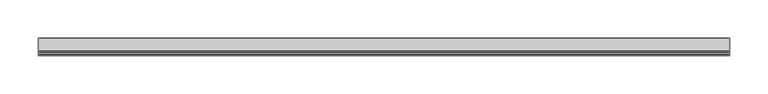
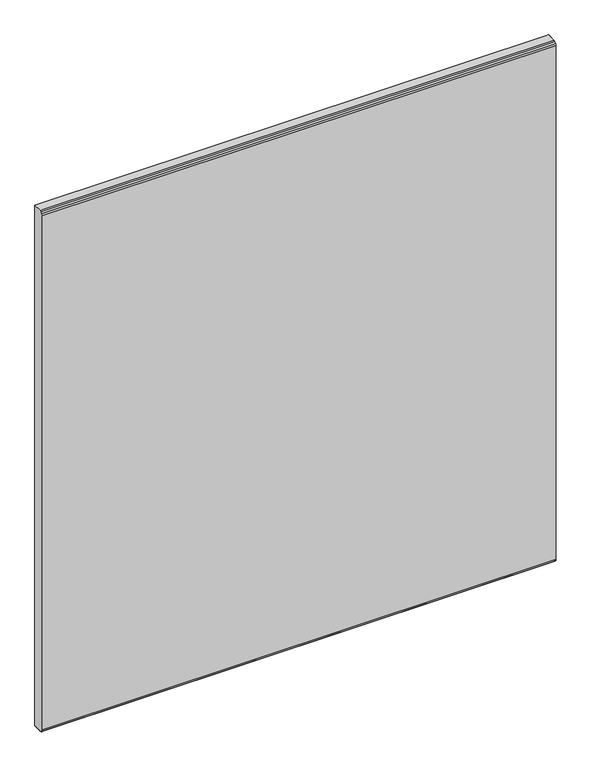
"""IFC4 building model written with IfcOpenShell, lengths in millimetres: furniture geometry."""

from ifc_helpers import new_model, si_unit, origin, place, context, project, spatial, triangles, source, transform, mapped, element, save


def furniture_732ca382(model_context):
    return source(origin(), model_context, "Body", "Tessellation", [
        triangles([(908.0500242, 6.3500002, 0.0), (6.3500002, 6.3500002, 0.0), (6.3500002, 22.2249992, 0.0), (908.0500242, 22.2249992, 0.0), (6.3500002, 6.3500002, 965.2000242), (908.0500242, 6.3500002, 965.2000242), (908.0500242, 22.2249992, 965.2000242), (6.3500002, 22.2249992, 965.2000242), (908.0500242, 0.0, 958.8499758), (6.3500002, 0.0, 958.8499758), (6.3500002, 0.0, 6.3500002), (908.0500242, 0.0, 6.3500002), (908.0500242, 0.8507387, 962.025), (6.3500002, 0.8507387, 962.025), (908.0500242, 3.1750001, 964.3492767), (6.3500002, 3.1750001, 964.3492767), (6.3500002, 0.8507387, 3.1750001), (908.0500242, 0.8507387, 3.1750001), (6.3500002, 3.1750001, 0.8507387), (908.0500242, 3.1750001, 0.8507387)], [[1, 2, 3], [1, 3, 4], [5, 6, 7], [5, 7, 8], [9, 10, 11], [9, 11, 12], [11, 10, 3], [11, 3, 2], [5, 8, 3], [5, 3, 10], [9, 12, 1], [9, 1, 4], [7, 6, 4], [6, 9, 4], [10, 9, 13], [10, 13, 14], [14, 13, 15], [14, 15, 16], [16, 15, 6], [16, 6, 5], [5, 10, 14], [5, 14, 16], [13, 9, 15], [9, 6, 15], [17, 18, 12], [17, 12, 11], [19, 20, 18], [19, 18, 17], [2, 1, 20], [2, 20, 19], [2, 19, 17], [2, 17, 11], [12, 18, 20], [12, 20, 1]], closed=False),
    ])


if __name__ == "__main__":
    model = new_model("IFC4")
    model_context = context("Model", 3, world=origin())
    ifc_project = project(units=[si_unit("LENGTHUNIT", "METRE", prefix="MILLI")], contexts=[model_context])
    site = spatial("IfcSite", under=ifc_project)
    building = spatial("IfcBuilding", under=site)
    placement = place(None, origin())
    furniture_shape = furniture_732ca382(model_context)
    element("IfcFurniture", 1, at=placement, inside=building, context=model_context, shape_type="MappedRepresentation", body=[
        mapped(furniture_shape, transform((0.0, 0.0, 0.0), x_axis=(1.0, 0.0, 0.0), y_axis=(0.0, 1.0, 0.0), z_axis=(0.0, 0.0, 1.0))),
    ])
    save(model, "model.ifc")
